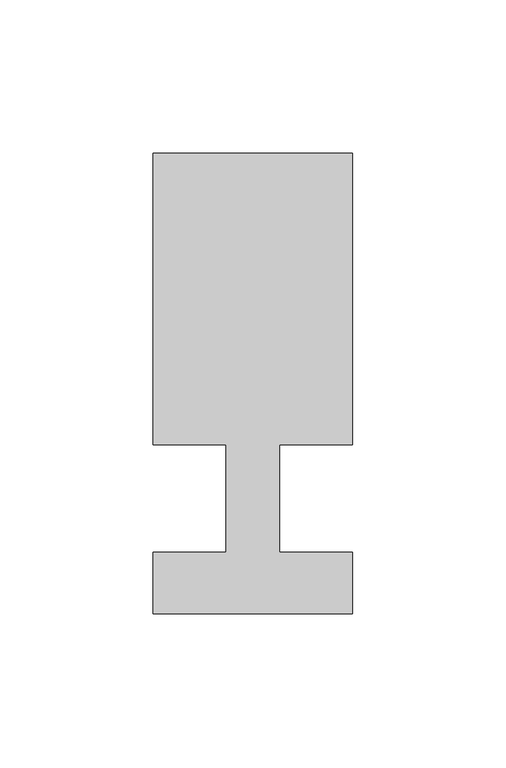
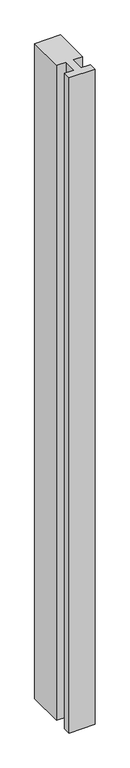
"""IFC4 building model written with IfcOpenShell, lengths in millimetres: member geometry."""

from ifc_helpers import new_model, si_unit, frame, origin, place, context, project, spatial, polyline, outline, extrude, source, transform, mapped, element, save


def member_99ba3d6b(model_context):
    return source(origin(), model_context, "Body", "SweptSolid", [
        extrude(outline(polyline([(0.0, -37.0), (-65.0, -37.0), (-65.0, -17.0), (-41.1875, -17.0), (-41.1875, 18.0), (-65.0, 18.0), (-65.0, 113.0), (0.0, 113.0), (0.0, 18.0), (-23.8125, 18.0), (-23.8125, -17.0), (0.0, -17.0), (0.0, -37.0)])), frame((0.0, 0.0, -1735.0), z_axis=(0.0, 0.0, 1.0), x_axis=(1.0, 0.0, 0.0)), (0.0, 0.0, 1.0), 1735.0),
    ])


if __name__ == "__main__":
    model = new_model("IFC4")
    model_context = context("Model", 3, world=origin())
    ifc_project = project(units=[si_unit("LENGTHUNIT", "METRE", prefix="MILLI")], contexts=[model_context])
    site = spatial("IfcSite", under=ifc_project)
    building = spatial("IfcBuilding", under=site)
    placement = place(None, origin())
    member_shape = member_99ba3d6b(model_context)
    element("IfcMember", 1, at=placement, inside=building, context=model_context, shape_type="MappedRepresentation", body=[
        mapped(member_shape, transform((0.0, 0.0, 0.0), x_axis=(1.0, 0.0, 0.0), y_axis=(0.0, 1.0, 0.0), z_axis=(0.0, 0.0, 1.0))),
    ])
    save(model, "model.ifc")
